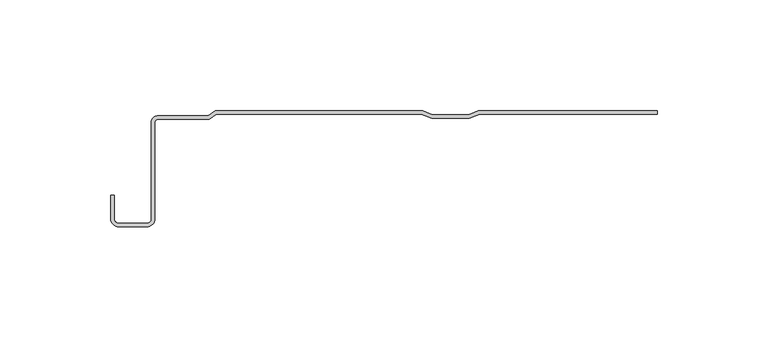
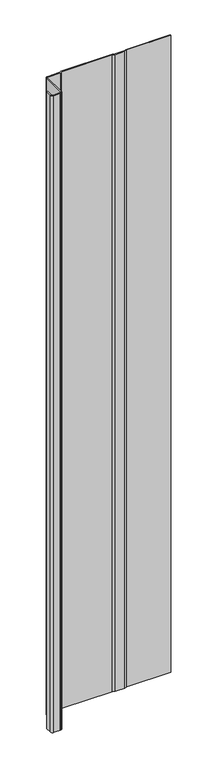
"""IFC4 building model written with IfcOpenShell, lengths in millimetres: plate geometry."""

from ifc_helpers import new_model, si_unit, point, frame_2d, origin, origin_with_axes, place, context, project, spatial, polyline, circle_curve, trimmed, segment, composite_curve, outline, extrude, source, transform, mapped, element, save


def plate_54c32503(model_context):
    return source(origin(), model_context, "Body", "SweptSolid", [
        extrude(outline(composite_curve([segment(polyline([(34.5654254, -1.5980513), (29.9220714, -3.4553929), (12.879517, -3.4553929), (8.236163, -1.5980513), (-84.3444799, -1.5980513), (-87.5264404, -3.9845217), (-111.0104877, -3.9845217)]), True, "CONTINUOUS"), segment(trimmed(circle_curve(frame_2d((-111.0104877, -5.126492)), 1.1419703), [point((-111.0104877, -3.9845217))], [point((-112.152458, -5.126492))], True, "CARTESIAN"), True, "CONTINUOUS"), segment(polyline([(-112.152458, -5.126492), (-112.152458, -48.8784494)]), True, "CONTINUOUS"), segment(trimmed(circle_curve(frame_2d((-115.7834285, -48.8784494)), 3.6309705), [point((-112.152458, -48.8784494))], [point((-115.7834285, -52.5094199))], False, "CARTESIAN"), True, "CONTINUOUS"), segment(polyline([(-115.7834285, -52.5094199), (-128.5112707, -52.5094199)]), True, "CONTINUOUS"), segment(trimmed(circle_curve(frame_2d((-128.5112707, -48.8784494)), 3.6309705), [point((-128.5112707, -52.5094199))], [point((-132.1422412, -48.8784494))], False, "CARTESIAN"), True, "CONTINUOUS"), segment(polyline([(-132.1422412, -48.8784494), (-132.1422412, -38.1835265), (-130.5441899, -38.1835265), (-130.5441899, -48.8784494)]), True, "CONTINUOUS"), segment(trimmed(circle_curve(frame_2d((-128.5112707, -48.8784494)), 2.0329192), [point((-130.5441899, -48.8784494))], [point((-128.5112707, -50.9113686))], True, "CARTESIAN"), True, "CONTINUOUS"), segment(polyline([(-128.5112707, -50.9113686), (-115.7834285, -50.9113686)]), True, "CONTINUOUS"), segment(trimmed(circle_curve(frame_2d((-115.7834285, -48.8784494)), 2.0329192), [point((-115.7834285, -50.9113686))], [point((-113.7505093, -48.8784494))], True, "CARTESIAN"), True, "CONTINUOUS"), segment(polyline([(-113.7505093, -48.8784494), (-113.7505093, -5.126492)]), True, "CONTINUOUS"), segment(trimmed(circle_curve(frame_2d((-111.0104877, -5.126492)), 2.7400216), [point((-113.7505093, -5.126492))], [point((-111.0104877, -2.3864704))], False, "CARTESIAN"), True, "CONTINUOUS"), segment(polyline([(-111.0104877, -2.3864704), (-88.0591242, -2.3864704), (-84.8771636, 0.0), (8.781911, 0.0), (13.2042955, -1.7689538), (29.5972929, -1.7689538), (34.0196774, 0.0), (114.9042607, 0.0), (114.9042607, -1.5980513), (34.5654254, -1.5980513)]), True, "CONTINUOUS")], self_intersect=False)), origin_with_axes(), (0.0, 0.0, 1.0), 1228.3559792),
    ])


if __name__ == "__main__":
    model = new_model("IFC4")
    model_context = context("Model", 3, world=origin())
    ifc_project = project(units=[si_unit("LENGTHUNIT", "METRE", prefix="MILLI")], contexts=[model_context])
    site = spatial("IfcSite", under=ifc_project)
    building = spatial("IfcBuilding", under=site)
    placement = place(None, origin())
    plate_shape = plate_54c32503(model_context)
    element("IfcPlate", 1, at=placement, inside=building, context=model_context, shape_type="MappedRepresentation", body=[
        mapped(plate_shape, transform((0.0, 0.0, 0.0), x_axis=(1.0, 0.0, 0.0), y_axis=(0.0, 1.0, 0.0), z_axis=(0.0, 0.0, 1.0))),
    ])
    save(model, "model.ifc")
